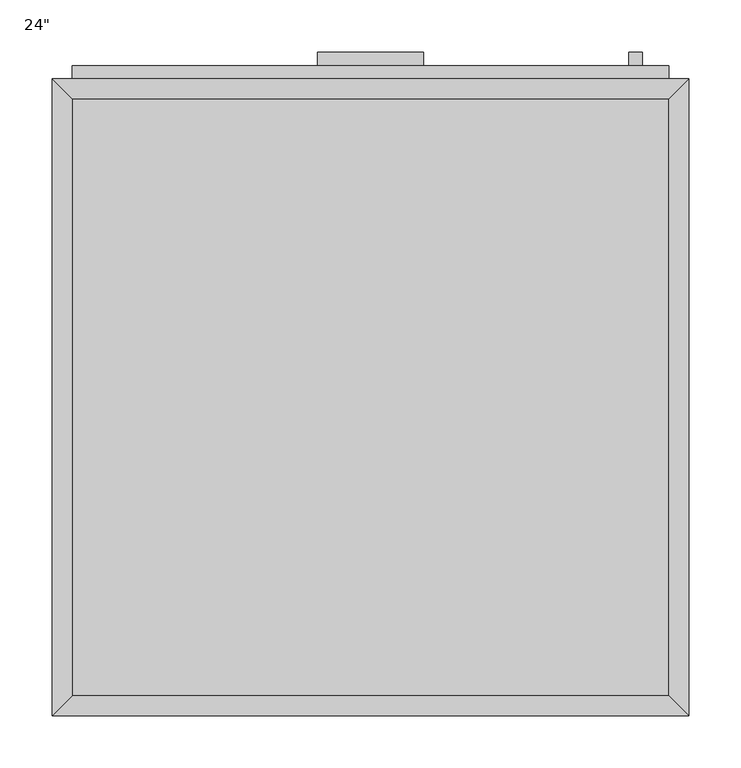
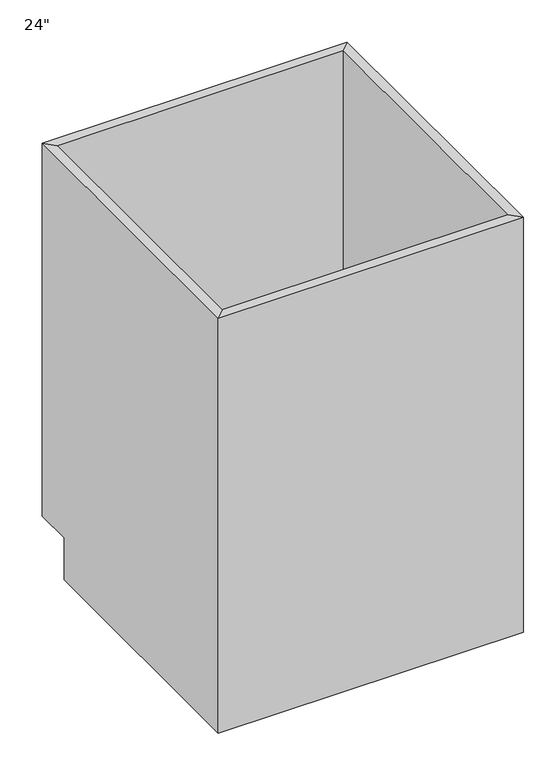
"""IFC4 building model written with IfcOpenShell, lengths in millimetres: furniture geometry."""

import ifcopenshell
import ifcopenshell.guid

model = None  # the IFC model being written
_history = None  # IfcOwnerHistory: only IFC2X3 demands one
_inside = {}  # id of a spatial element -> (the spatial element, [elements in it])
_under = {}  # id of a project, library or spatial element -> (it, [spatial elements below it])
_declared = {}  # id of a project -> (the project, [libraries it declares])
_typed = {}  # id of a type object -> (the type object, [elements of that type])
_made_of = {}  # id of a material, layer set ... -> (it, [elements and type objects made of it])


def new_model(schema):
    """Start an empty IFC model of exactly this schema.

    Asked for "IFC4X3", IfcOpenShell would pick the latest addendum, in which some entities
    have other attributes; the version numbers below select the first issue.
    IFC2X3 requires an IfcOwnerHistory on every rooted entity: one is made here for all.
    """
    global model, _history
    if schema == "IFC4X3":
        model = ifcopenshell.file(schema_version=(4, 3, 0, 0))
    else:
        model = ifcopenshell.file(schema=schema)
    _inside.clear()
    _under.clear()
    _declared.clear()
    _typed.clear()
    _made_of.clear()
    _history = None
    if model.schema == "IFC2X3":
        org = make("IfcOrganization", Name="unknown")
        user = make(
            "IfcPersonAndOrganization",
            ThePerson=make("IfcPerson", FamilyName="unknown"),
            TheOrganization=org,
        )
        app = make(
            "IfcApplication",
            ApplicationDeveloper=org,
            Version="unknown",
            ApplicationFullName="unknown",
            ApplicationIdentifier="unknown",
        )
        _history = make(
            "IfcOwnerHistory",
            OwningUser=user,
            OwningApplication=app,
            ChangeAction="ADDED",
            CreationDate=0,
        )
    return model


def make(cls, **values):
    """One entity of the class cls with the attributes given. An attribute that is None is left unset."""
    return model.create_entity(
        cls, **{name: value for name, value in values.items() if value is not None}
    )


def rooted(cls, **values):
    """An entity with a GlobalId (a new one), such as an element, a storey or a relation."""
    return make(cls, GlobalId=ifcopenshell.guid.new(), OwnerHistory=_history, **values)


def si_unit(unit_type, name, prefix=None):
    """IfcSIUnit, for example si_unit("LENGTHUNIT", "METRE", prefix="MILLI")."""
    return make("IfcSIUnit", UnitType=unit_type, Prefix=prefix, Name=name)


def assignment(units):
    """IfcUnitAssignment: the units of a project."""
    return None if units is None else make("IfcUnitAssignment", Units=units)


def point(xyz):
    """IfcCartesianPoint."""
    return None if xyz is None else make("IfcCartesianPoint", Coordinates=xyz)


def direction(xyz):
    """IfcDirection."""
    return None if xyz is None else make("IfcDirection", DirectionRatios=xyz)


def frame(location, z_axis=None, x_axis=None):
    """IfcAxis2Placement3D, a coordinate frame: its origin and axes. An axis left out is left unset."""
    return make(
        "IfcAxis2Placement3D",
        Location=point(location),
        Axis=direction(z_axis),
        RefDirection=direction(x_axis),
    )


def origin():
    """The frame at (0, 0, 0) with its axes left unset."""
    return frame((0.0, 0.0, 0.0))


def place(relative_to, where):
    """IfcLocalPlacement: puts the frame where relative to a parent placement (None: the world)."""
    return make(
        "IfcLocalPlacement", PlacementRelTo=relative_to, RelativePlacement=where
    )


def context(
    kind, dimensions, precision=None, world=None, true_north=None, identifier=None
):
    """IfcGeometricRepresentationContext, for example the 3D "Model" context."""
    return make(
        "IfcGeometricRepresentationContext",
        ContextIdentifier=identifier,
        ContextType=kind,
        CoordinateSpaceDimension=dimensions,
        Precision=precision,
        WorldCoordinateSystem=world,
        TrueNorth=true_north,
    )


def project(units=None, contexts=None):
    """IfcProject with its units and contexts."""
    return rooted(
        "IfcProject",
        Name="project",
        RepresentationContexts=contexts,
        UnitsInContext=assignment(units),
    )


def spatial(cls, under=None, at=None, **own):
    """A site, building, storey or space (cls), placed at a placement, below another one or the project."""
    s = rooted(cls, ObjectPlacement=at, **own)
    if under is not None:
        _under.setdefault(under.id(), (under, []))[1].append(s)
    return s


def polyline(points):
    """IfcPolyline through the points."""
    return make("IfcPolyline", Points=[point(p) for p in points])


def outline(outer, holes=None, kind="AREA"):
    """IfcArbitraryClosedProfileDef: a profile drawn as a closed curve; with holes, ...WithVoids."""
    if holes is None:
        return make("IfcArbitraryClosedProfileDef", ProfileType=kind, OuterCurve=outer)
    return make(
        "IfcArbitraryProfileDefWithVoids",
        ProfileType=kind,
        OuterCurve=outer,
        InnerCurves=holes,
    )


def extrude(swept, where, along, depth):
    """IfcExtrudedAreaSolid: the profile swept, set in the frame where, extruded along a direction by depth."""
    return make(
        "IfcExtrudedAreaSolid",
        SweptArea=swept,
        Position=where,
        ExtrudedDirection=direction(along),
        Depth=depth,
    )


def faces_of(points, faces, orient=None, outer=None):
    """IfcFace entities. A face is a list of loops; a loop is a list of indices into points, from 0.

    orient and outer hold one flag for each loop. By default every Orientation is true, the
    first loop of a face is its IfcFaceOuterBound and the others are IfcFaceBound.
    """
    made = []
    for i, loops in enumerate(faces):
        bounds = []
        for j, loop in enumerate(loops):
            is_outer = j == 0 if outer is None else outer[i][j]
            bounds.append(
                make(
                    "IfcFaceOuterBound" if is_outer else "IfcFaceBound",
                    Bound=make("IfcPolyLoop", Polygon=[points[k] for k in loop]),
                    Orientation=True if orient is None else orient[i][j],
                )
            )
        made.append(make("IfcFace", Bounds=bounds))
    return made


def faceted_brep(points, faces, orient=None, outer=None, voids=None):
    """IfcFacetedBrep: a solid bounded by flat faces; with voids (closed shells), ...WithVoids."""
    shared = [point(p) for p in points]
    hull = make("IfcClosedShell", CfsFaces=faces_of(shared, faces, orient, outer))
    if voids is None:
        return make("IfcFacetedBrep", Outer=hull)
    return make(
        "IfcFacetedBrepWithVoids",
        Outer=hull,
        Voids=[
            make(cls, CfsFaces=faces_of(shared, fs, o, b)) for cls, fs, o, b in voids
        ],
    )


def shape(context_of_items, identifier, shape_type, items):
    """IfcShapeRepresentation: the items that make up one representation, for example the "Body"."""
    return make(
        "IfcShapeRepresentation",
        ContextOfItems=context_of_items,
        RepresentationIdentifier=identifier,
        RepresentationType=shape_type,
        Items=items,
    )


def source(mapping_origin, context_of_items, identifier, shape_type, items):
    """IfcRepresentationMap: a shape defined once, which mapped items show again and again."""
    return make(
        "IfcRepresentationMap",
        MappingOrigin=mapping_origin,
        MappedRepresentation=shape(context_of_items, identifier, shape_type, items),
    )


def transform(
    local_origin,
    x_axis=None,
    y_axis=None,
    z_axis=None,
    scale=None,
    scale2=None,
    scale3=None,
    uniform=True,
):
    """IfcCartesianTransformationOperator3D, or its non-uniform kind. x_axis, y_axis, z_axis: its Axis1, 2, 3."""
    if uniform:
        return make(
            "IfcCartesianTransformationOperator3D",
            Axis1=direction(x_axis),
            Axis2=direction(y_axis),
            LocalOrigin=point(local_origin),
            Scale=scale,
            Axis3=direction(z_axis),
        )
    return make(
        "IfcCartesianTransformationOperator3DnonUniform",
        Axis1=direction(x_axis),
        Axis2=direction(y_axis),
        LocalOrigin=point(local_origin),
        Scale=scale,
        Axis3=direction(z_axis),
        Scale2=scale2,
        Scale3=scale3,
    )


def mapped(mapping_source, mapping_target):
    """IfcMappedItem: shows the shape of a source again, moved by a transform."""
    return make(
        "IfcMappedItem", MappingSource=mapping_source, MappingTarget=mapping_target
    )


def made_of(thing, what):
    """Note that an element or type object is made of a material, layer set ...; save() writes the relation."""
    if what is not None:
        _made_of.setdefault(what.id(), (what, []))[1].append(thing)
    return thing


def element(
    cls,
    number,
    at=None,
    inside=None,
    cuts=None,
    type_object=None,
    material=None,
    context=None,
    identifier="Body",
    shape_type=None,
    held_by="IfcProductDefinitionShape",
    body=None,
    shapes=None,
    **own,
):
    """One element of the class cls, such as IfcWall. Its Tag is "e" and its number.

    at: its placement. inside: the storey or other place that contains it. cuts: it is an
    opening in that element (IfcRelVoidsElement). A single representation is given by context,
    identifier, shape_type and body (its items); several are given by shapes. held_by: the class
    of the entity that holds the representations. save() writes the other relations.
    """
    e = rooted(cls, Tag="e%d" % number, ObjectPlacement=at, **own)
    if body is not None:
        shapes = [shape(context, identifier, shape_type, body)]
    if shapes is not None:
        e.Representation = make(held_by, Representations=shapes)
    if inside is not None:
        _inside.setdefault(inside.id(), (inside, []))[1].append(e)
    if cuts is not None:
        rooted(
            "IfcRelVoidsElement", RelatingBuildingElement=cuts, RelatedOpeningElement=e
        )
    if type_object is not None:
        _typed.setdefault(type_object.id(), (type_object, []))[1].append(e)
    return made_of(e, material)


def aggregate(whole, parts):
    """IfcRelAggregates: a whole, such as a stair, and the parts it consists of."""
    return rooted("IfcRelAggregates", RelatingObject=whole, RelatedObjects=parts)


def save(model, path):
    """Write the relations noted so far, then the file.

    IfcRelAggregates (storeys below a building ...), IfcRelContainedInSpatialStructure (elements
    in a storey), IfcRelDefinesByType, IfcRelAssociatesMaterial and IfcRelDeclares: one each for
    every whole, place, type object, material and project.
    """
    for whole, parts in _under.values():
        aggregate(whole, parts)
    for where, things in _inside.values():
        rooted(
            "IfcRelContainedInSpatialStructure",
            RelatedElements=things,
            RelatingStructure=where,
        )
    for kind, things in _typed.values():
        rooted("IfcRelDefinesByType", RelatedObjects=things, RelatingType=kind)
    for what, things in _made_of.values():
        rooted("IfcRelAssociatesMaterial", RelatedObjects=things, RelatingMaterial=what)
    for by, libraries in _declared.values():
        rooted("IfcRelDeclares", RelatingContext=by, RelatedDefinitions=libraries)
    model.write(path)


def furniture_94ff1b7c(model_context):
    return source(origin(), model_context, "Body", "SolidModel", [
        faceted_brep([(304.4877049, 590.55, 876.3), (-267.0122951, 590.55, 876.3), (-267.0122951, 590.55, 88.9), (304.4877049, 590.55, 88.9), (323.5377049, 609.6, 876.3), (-286.0622951, 609.6, 876.3), (323.5377049, 609.6, 88.9), (-286.0622951, 609.6, 88.9), (-267.0122951, 19.05, 876.3), (-267.0122951, 19.05, 88.9), (-267.0122951, 533.4, 88.9), (-286.0622951, 0.0, 876.3), (-286.0622951, 533.4, 88.9), (-286.0622951, 533.4, 0.0), (-286.0622951, 0.0, 0.0), (304.4877049, 19.05, 876.3), (304.4877049, 19.05, 88.9), (323.5377049, 0.0, 876.3), (323.5377049, 0.0, 0.0), (304.4877049, 533.4, 88.9), (323.5377049, 533.4, 0.0), (323.5377049, 533.4, 88.9)], [[[0, 1, 2, 3]], [[0, 4, 5, 1]], [[4, 6, 7, 5]], [[2, 7, 6, 3]], [[1, 8, 9, 10, 2]], [[5, 11, 8, 1]], [[7, 12, 13, 14, 11, 5]], [[2, 10, 12, 7]], [[8, 15, 16, 9]], [[11, 17, 15, 8]], [[14, 18, 17, 11]], [[3, 19, 16, 15, 0]], [[0, 15, 17, 4]], [[4, 17, 18, 20, 21, 6]], [[6, 21, 19, 3]], [[10, 9, 16, 19]], [[18, 14, 13, 20]], [[13, 12, 10, 19, 21, 20]]]),
        extrude(outline(polyline([(279.0877049, 635.0), (279.0877049, 622.3), (266.3877049, 622.3), (266.3877049, 635.0), (279.0877049, 635.0)])), frame((0.0, 0.0, 596.9), z_axis=(0.0, 0.0, 1.0), x_axis=(1.0, 0.0, 0.0)), (0.0, 0.0, 1.0), 101.6),
        extrude(outline(polyline([(69.5377049, 635.0), (69.5377049, 622.3), (-32.0622951, 622.3), (-32.0622951, 635.0), (69.5377049, 635.0)])), frame((0.0, 0.0, 819.15), z_axis=(0.0, 0.0, 1.0), x_axis=(1.0, 0.0, 0.0)), (0.0, 0.0, 1.0), 12.7),
        extrude(outline(polyline([(304.4877049, 622.3), (304.4877049, 609.6), (-267.0122951, 609.6), (-267.0122951, 622.3), (304.4877049, 622.3)])), frame((0.0, 0.0, 107.95), z_axis=(0.0, 0.0, 1.0), x_axis=(1.0, 0.0, 0.0)), (0.0, 0.0, 1.0), 628.65),
        extrude(outline(polyline([(304.4877049, 622.3), (304.4877049, 609.6), (-267.0122951, 609.6), (-267.0122951, 622.3), (304.4877049, 622.3)])), frame((0.0, 0.0, 755.65), z_axis=(0.0, 0.0, 1.0), x_axis=(1.0, 0.0, 0.0)), (0.0, 0.0, 1.0), 101.6),
        extrude(outline(polyline([(304.4877049, 19.05), (-267.0122951, 19.05), (-267.0122951, 590.55), (304.4877049, 590.55), (304.4877049, 19.05)])), frame((0.0, 0.0, 88.9), z_axis=(0.0, 0.0, 1.0), x_axis=(1.0, 0.0, 0.0)), (0.0, 0.0, 1.0), 19.05),
    ])


if __name__ == "__main__":
    model = new_model("IFC4")
    model_context = context("Model", 3, world=origin())
    ifc_project = project(units=[si_unit("LENGTHUNIT", "METRE", prefix="MILLI")], contexts=[model_context])
    site = spatial("IfcSite", under=ifc_project)
    building = spatial("IfcBuilding", under=site)
    placement = place(None, origin())
    furniture_shape = furniture_94ff1b7c(model_context)
    element("IfcFurniture", 1, ObjectType="24\"", at=placement, inside=building, context=model_context, shape_type="MappedRepresentation", body=[
        mapped(furniture_shape, transform((0.0, 0.0, 0.0), x_axis=(1.0, 0.0, 0.0), y_axis=(0.0, 1.0, 0.0), z_axis=(0.0, 0.0, 1.0))),
    ])
    save(model, "model.ifc")
